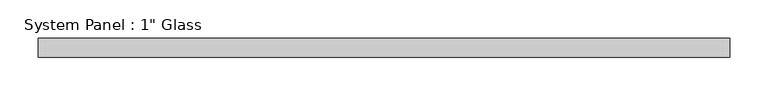
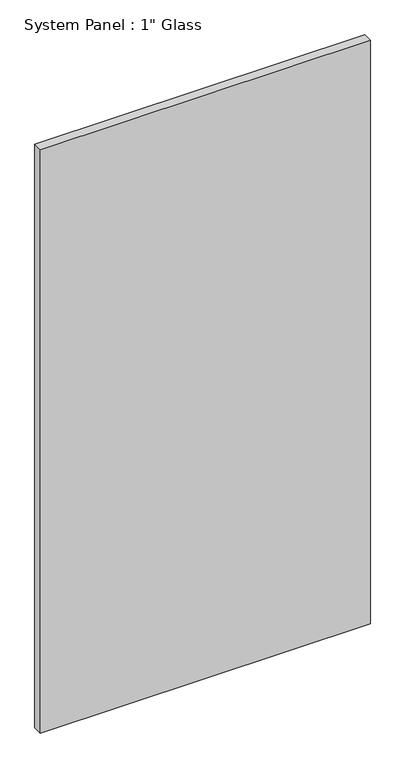
"""IFC4 building model written with IfcOpenShell, lengths in millimetres: plate geometry."""

from ifc_helpers import new_model, si_unit, origin, origin_with_axes, place, context, project, spatial, polyline, outline, extrude, source, transform, mapped, element, save


def plate_b9b36047(model_context):
    return source(origin(), model_context, "Body", "SweptSolid", [
        extrude(outline(polyline([(453.9549025, -12.7), (-453.9549025, -12.7), (-453.9549025, 12.7), (453.9549025, 12.7), (453.9549025, -12.7)])), origin_with_axes(), (0.0, 0.0, 1.0), 1695.45),
    ])


if __name__ == "__main__":
    model = new_model("IFC4")
    model_context = context("Model", 3, world=origin())
    ifc_project = project(units=[si_unit("LENGTHUNIT", "METRE", prefix="MILLI")], contexts=[model_context])
    site = spatial("IfcSite", under=ifc_project)
    building = spatial("IfcBuilding", under=site)
    placement = place(None, origin())
    plate_shape = plate_b9b36047(model_context)
    element("IfcPlate", 1, ObjectType="System Panel : 1\" Glass", at=placement, inside=building, context=model_context, shape_type="MappedRepresentation", body=[
        mapped(plate_shape, transform((0.0, 0.0, 0.0), x_axis=(1.0, 0.0, 0.0), y_axis=(0.0, 1.0, 0.0), z_axis=(0.0, 0.0, 1.0))),
    ])
    save(model, "model.ifc")
